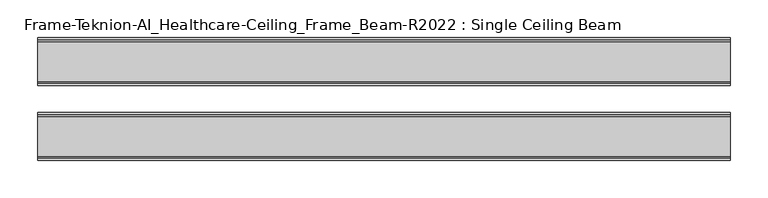
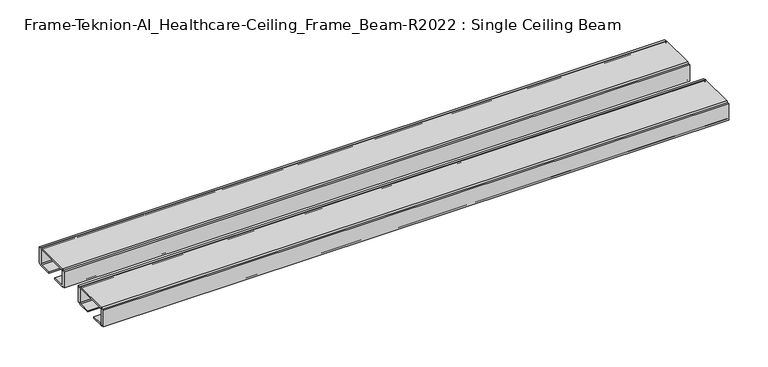
"""IFC4 building model written with IfcOpenShell, lengths in millimetres: furniture geometry, Frame-Teknion-AI_Healthcare-Ceiling_Frame_Beam-R2022 : Single Ceiling Beam."""

from ifc_helpers import new_model, si_unit, point, frame, frame_2d, origin, place, context, project, spatial, polyline, circle_curve, trimmed, segment, composite_curve, outline, extrude, source, transform, mapped, element, save


def frame_teknion_ai_healthcare_ceiling_frame_beam_r2022_single_35720cf5(model_context):
    return source(origin(), model_context, "Body", "SweptSolid", [
        extrude(outline(composite_curve([segment(polyline([(-82.1812471, 1573.5046), (-82.1812471, 1598.9045998), (-79.0062502, 1598.9045998), (-79.0062502, 1597.787)]), True, "CONTINUOUS"), segment(trimmed(circle_curve(frame_2d((-76.5932502, 1597.787)), 2.413), [point((-79.0062502, 1597.787))], [point((-76.5932502, 1600.2))], False, "CARTESIAN"), True, "CONTINUOUS"), segment(polyline([(-76.5932502, 1600.2), (-23.4192521, 1600.2)]), True, "CONTINUOUS"), segment(trimmed(circle_curve(frame_2d((-23.4192521, 1597.787)), 2.413), [point((-23.4192521, 1600.2))], [point((-21.0062521, 1597.787))], False, "CARTESIAN"), True, "CONTINUOUS"), segment(polyline([(-21.0062521, 1597.787), (-21.0062521, 1598.9045998), (-17.8312551, 1598.9045998), (-17.8312551, 1573.5046), (-21.0062521, 1573.5046), (-21.0062521, 1574.6129989)]), True, "CONTINUOUS"), segment(trimmed(circle_curve(frame_2d((-23.4192521, 1574.6129989)), 2.413), [point((-21.0062521, 1574.6129989))], [point((-23.4192521, 1572.199999))], False, "CARTESIAN"), True, "CONTINUOUS"), segment(polyline([(-23.4192521, 1572.199999), (-42.0687564, 1572.199999), (-42.0687564, 1574.4859991), (-24.562251, 1574.4859991)]), True, "CONTINUOUS"), segment(trimmed(circle_curve(frame_2d((-24.562251, 1576.0099999)), 1.5240008), [point((-24.562251, 1574.4859991))], [point((-23.0382502, 1576.0099999))], True, "CARTESIAN"), True, "CONTINUOUS"), segment(polyline([(-23.0382502, 1576.0099999), (-23.0382502, 1597.1520009)]), True, "CONTINUOUS"), segment(trimmed(circle_curve(frame_2d((-24.0542492, 1597.1520009)), 1.015999), [point((-23.0382502, 1597.1520009))], [point((-24.0542492, 1598.168))], True, "CARTESIAN"), True, "CONTINUOUS"), segment(polyline([(-24.0542492, 1598.168), (-75.9582531, 1598.168)]), True, "CONTINUOUS"), segment(trimmed(circle_curve(frame_2d((-75.9582531, 1597.1520009)), 1.015999), [point((-75.9582531, 1598.168))], [point((-76.9742521, 1597.1520009))], True, "CARTESIAN"), True, "CONTINUOUS"), segment(polyline([(-76.9742521, 1597.1520009), (-76.9742521, 1576.0099999)]), True, "CONTINUOUS"), segment(trimmed(circle_curve(frame_2d((-75.4502513, 1576.0099999)), 1.5240008), [point((-76.9742521, 1576.0099999))], [point((-75.4502513, 1574.4859991))], True, "CARTESIAN"), True, "CONTINUOUS"), segment(polyline([(-75.4502513, 1574.4859991), (-57.9437458, 1574.4859991), (-57.9437458, 1572.199999), (-76.5932502, 1572.199999)]), True, "CONTINUOUS"), segment(trimmed(circle_curve(frame_2d((-76.5932502, 1574.6129989)), 2.413), [point((-76.5932502, 1572.199999))], [point((-79.0062502, 1574.6129989))], False, "CARTESIAN"), True, "CONTINUOUS"), segment(polyline([(-79.0062502, 1574.6129989), (-79.0062502, 1573.5046), (-82.1812471, 1573.5046)]), True, "CONTINUOUS")], self_intersect=False)), frame((-461.6704, 0.0, 0.0), z_axis=(1.0, 0.0, 0.0), x_axis=(0.0, 1.0, 0.0)), (0.0, 0.0, 1.0), 923.3408),
        extrude(outline(composite_curve([segment(polyline([(1573.5046, 82.1812471), (1598.9045998, 82.1812471), (1598.9045998, 79.0062456), (1597.787, 79.0062456)]), True, "CONTINUOUS"), segment(trimmed(circle_curve(frame_2d((1597.787, 76.5932457)), 2.413), [point((1597.787, 79.0062456))], [point((1600.2, 76.5932457))], False, "CARTESIAN"), True, "CONTINUOUS"), segment(polyline([(1600.2, 76.5932457), (1600.2, 23.4192475)]), True, "CONTINUOUS"), segment(trimmed(circle_curve(frame_2d((1597.787, 23.4192475)), 2.413), [point((1600.2, 23.4192475))], [point((1597.787, 21.0062476))], False, "CARTESIAN"), True, "CONTINUOUS"), segment(polyline([(1597.787, 21.0062476), (1598.9045998, 21.0062476), (1598.9045998, 17.8312506), (1573.5046, 17.8312506), (1573.5046, 21.0062476), (1574.6129989, 21.0062476)]), True, "CONTINUOUS"), segment(trimmed(circle_curve(frame_2d((1574.6129989, 23.4192475)), 2.413), [point((1574.6129989, 21.0062476))], [point((1572.199999, 23.4192475))], False, "CARTESIAN"), True, "CONTINUOUS"), segment(polyline([(1572.199999, 23.4192475), (1572.199999, 42.0687519), (1574.4859991, 42.0687519), (1574.4859991, 24.5622464)]), True, "CONTINUOUS"), segment(trimmed(circle_curve(frame_2d((1576.0099999, 24.5622464)), 1.5240008), [point((1574.4859991, 24.5622464))], [point((1576.0099999, 23.0382456))], True, "CARTESIAN"), True, "CONTINUOUS"), segment(polyline([(1576.0099999, 23.0382456), (1597.1520009, 23.0382456)]), True, "CONTINUOUS"), segment(trimmed(circle_curve(frame_2d((1597.1520009, 24.0542446)), 1.015999), [point((1597.1520009, 23.0382456))], [point((1598.168, 24.0542446))], True, "CARTESIAN"), True, "CONTINUOUS"), segment(polyline([(1598.168, 24.0542446), (1598.168, 75.9582485)]), True, "CONTINUOUS"), segment(trimmed(circle_curve(frame_2d((1597.1520009, 75.9582485)), 1.015999), [point((1598.168, 75.9582485))], [point((1597.1520009, 76.9742476))], True, "CARTESIAN"), True, "CONTINUOUS"), segment(polyline([(1597.1520009, 76.9742476), (1576.0099999, 76.9742476)]), True, "CONTINUOUS"), segment(trimmed(circle_curve(frame_2d((1576.0099999, 75.4502468)), 1.5240008), [point((1576.0099999, 76.9742476))], [point((1574.4859991, 75.4502468))], True, "CARTESIAN"), True, "CONTINUOUS"), segment(polyline([(1574.4859991, 75.4502468), (1574.4859991, 57.9437413), (1572.199999, 57.9437413), (1572.199999, 76.5932457)]), True, "CONTINUOUS"), segment(trimmed(circle_curve(frame_2d((1574.6129989, 76.5932457)), 2.413), [point((1572.199999, 76.5932457))], [point((1574.6129989, 79.0062456))], False, "CARTESIAN"), True, "CONTINUOUS"), segment(polyline([(1574.6129989, 79.0062456), (1573.5046, 79.0062456), (1573.5046, 82.1812471)]), True, "CONTINUOUS")], self_intersect=False)), frame((461.6704, 0.0, 0.0), z_axis=(-1.0, 0.0, 0.0), x_axis=(0.0, 0.0, 1.0)), (0.0, 0.0, 1.0), 923.3408),
    ])


if __name__ == "__main__":
    model = new_model("IFC4")
    model_context = context("Model", 3, world=origin())
    ifc_project = project(units=[si_unit("LENGTHUNIT", "METRE", prefix="MILLI")], contexts=[model_context])
    site = spatial("IfcSite", under=ifc_project)
    building = spatial("IfcBuilding", under=site)
    placement = place(None, origin())
    frame_teknion_ai_healthcare_ceiling_frame_beam_r2022_single_shape = frame_teknion_ai_healthcare_ceiling_frame_beam_r2022_single_35720cf5(model_context)
    element("IfcFurniture", 1, ObjectType="Frame-Teknion-AI_Healthcare-Ceiling_Frame_Beam-R2022 : Single Ceiling Beam", at=placement, inside=building, context=model_context, shape_type="MappedRepresentation", body=[
        mapped(frame_teknion_ai_healthcare_ceiling_frame_beam_r2022_single_shape, transform((0.0, 0.0, 0.0), x_axis=(1.0, 0.0, 0.0), y_axis=(0.0, 1.0, 0.0), z_axis=(0.0, 0.0, 1.0))),
    ])
    save(model, "model.ifc")
